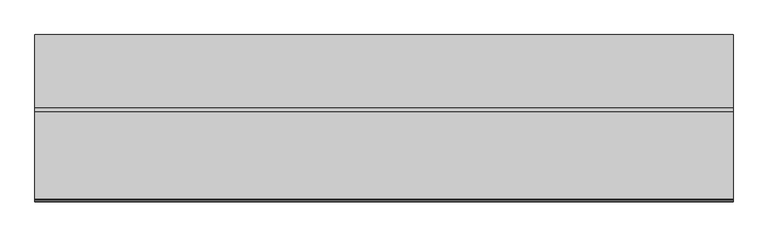
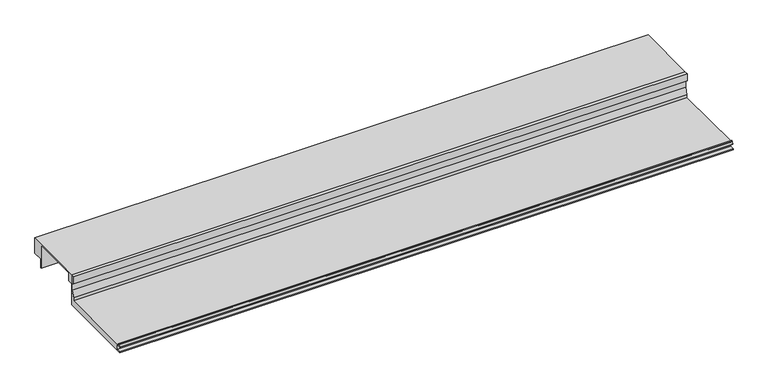
"""IFC4 building model written with IfcOpenShell, lengths in millimetres: proxy geometry."""

from ifc_helpers import new_model, si_unit, point, frame, frame_2d, origin, place, context, project, spatial, polyline, circle_curve, trimmed, segment, composite_curve, outline, extrude, source, transform, mapped, element, save


def specialty_equipment_3528540c(model_context):
    return source(origin(), model_context, "Body", "SweptSolid", [
        extrude(outline(polyline([(165.632524, 63.5), (292.632524, 63.5), (292.632524, 31.75), (273.2848677, 31.75), (273.2848677, 12.7), (271.0028365, 12.7), (271.0028365, 61.1898306), (175.284524, 61.1898306), (175.284524, 44.45), (165.632524, 44.45), (165.632524, 63.5)])), frame((0.0, 0.0, 0.0), z_axis=(1.0, 0.0, 0.0), x_axis=(0.0, 1.0, 0.0)), (0.0, 0.0, 1.0), 1219.2),
        extrude(outline(composite_curve([segment(polyline([(165.632524, 0.0), (0.0, 0.0), (0.0, 1.651), (8.368424, 1.7970714), (8.368424, 9.7466904)]), True, "CONTINUOUS"), segment(trimmed(circle_curve(frame_2d((7.805541, 9.7466904)), 0.562883), [point((8.368424, 9.7466904))], [point((7.805541, 10.3095735))], True, "CARTESIAN"), True, "CONTINUOUS"), segment(polyline([(7.805541, 10.3095735), (1.0402986, 10.3095735)]), True, "CONTINUOUS"), segment(trimmed(circle_curve(frame_2d((1.0402986, 10.8138628)), 0.5042893), [point((1.0402986, 10.3095735))], [point((0.5832573, 11.0269846))], False, "CARTESIAN"), True, "CONTINUOUS"), segment(polyline([(0.5832573, 11.0269846), (2.843924, 15.875), (5.206124, 15.875), (5.206124, 12.7), (159.282524, 12.7), (159.282524, 19.05), (163.346524, 31.75), (163.346524, 46.0298451), (158.495124, 48.3942822), (158.495124, 63.5), (165.632524, 63.5), (165.632524, 0.0)]), True, "CONTINUOUS")], self_intersect=False)), frame((0.0, 0.0, 0.0), z_axis=(1.0, 0.0, 0.0), x_axis=(0.0, 1.0, 0.0)), (0.0, 0.0, 1.0), 1219.2),
    ])


if __name__ == "__main__":
    model = new_model("IFC4")
    model_context = context("Model", 3, world=origin())
    ifc_project = project(units=[si_unit("LENGTHUNIT", "METRE", prefix="MILLI")], contexts=[model_context])
    site = spatial("IfcSite", under=ifc_project)
    building = spatial("IfcBuilding", under=site)
    placement = place(None, origin())
    specialty_equipment_shape = specialty_equipment_3528540c(model_context)
    element("IfcBuildingElementProxy", 1, Name="Specialty Equipment", at=placement, inside=building, context=model_context, shape_type="MappedRepresentation", body=[
        mapped(specialty_equipment_shape, transform((0.0, 0.0, 0.0), x_axis=(1.0, 0.0, 0.0), y_axis=(0.0, 1.0, 0.0), z_axis=(0.0, 0.0, 1.0))),
    ])
    save(model, "model.ifc")
